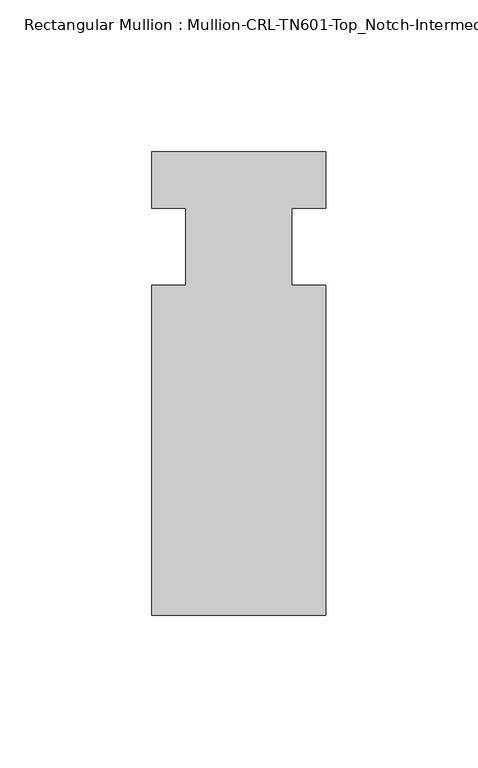
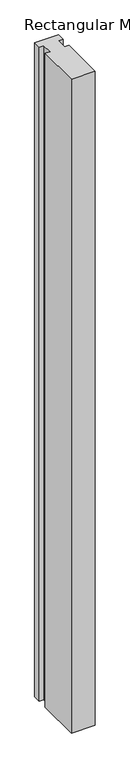
"""IFC4 building model written with IfcOpenShell, lengths in millimetres: member geometry, Rectangular Mullion : Mullion-CRL-TN601-Top_Notch-Intermediate_Vertical."""

from ifc_helpers import new_model, si_unit, frame, origin, place, context, project, spatial, polyline, outline, extrude, source, transform, mapped, element, save


def rectangular_mullion_mullion_crl_tn601_top_notch_intermediate_e4cb7a6f(model_context):
    return source(origin(), model_context, "Body", "SweptSolid", [
        extrude(outline(polyline([(-28.575, -12.7), (-17.4625, -12.7), (-17.4625, 12.7), (-28.575, 12.7), (-28.575, 31.1404), (28.575, 31.1404), (28.575, 12.7), (17.4625, 12.7), (17.4625, -12.7), (28.575, -12.7), (28.575, -121.2596), (-28.575, -121.2596), (-28.575, -12.7)])), frame((0.0, 0.0, -1658.0266552), z_axis=(0.0, 0.0, 1.0), x_axis=(1.0, 0.0, 0.0)), (0.0, 0.0, 1.0), 1658.0266552),
    ])


if __name__ == "__main__":
    model = new_model("IFC4")
    model_context = context("Model", 3, world=origin())
    ifc_project = project(units=[si_unit("LENGTHUNIT", "METRE", prefix="MILLI")], contexts=[model_context])
    site = spatial("IfcSite", under=ifc_project)
    building = spatial("IfcBuilding", under=site)
    placement = place(None, origin())
    rectangular_mullion_mullion_crl_tn601_top_notch_intermediate_shape = rectangular_mullion_mullion_crl_tn601_top_notch_intermediate_e4cb7a6f(model_context)
    element("IfcMember", 1, ObjectType="Rectangular Mullion : Mullion-CRL-TN601-Top_Notch-Intermediate_Vertical", at=placement, inside=building, context=model_context, shape_type="MappedRepresentation", body=[
        mapped(rectangular_mullion_mullion_crl_tn601_top_notch_intermediate_shape, transform((0.0, 0.0, 0.0), x_axis=(1.0, 0.0, 0.0), y_axis=(0.0, 1.0, 0.0), z_axis=(0.0, 0.0, 1.0))),
    ])
    save(model, "model.ifc")
